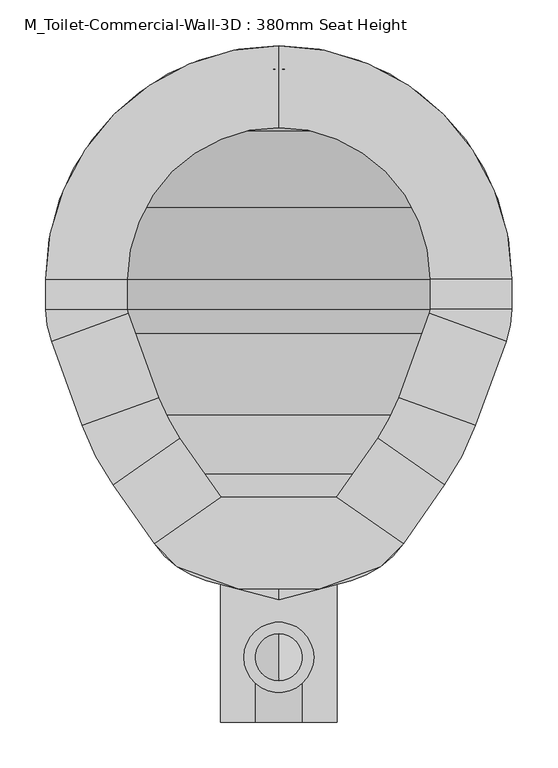
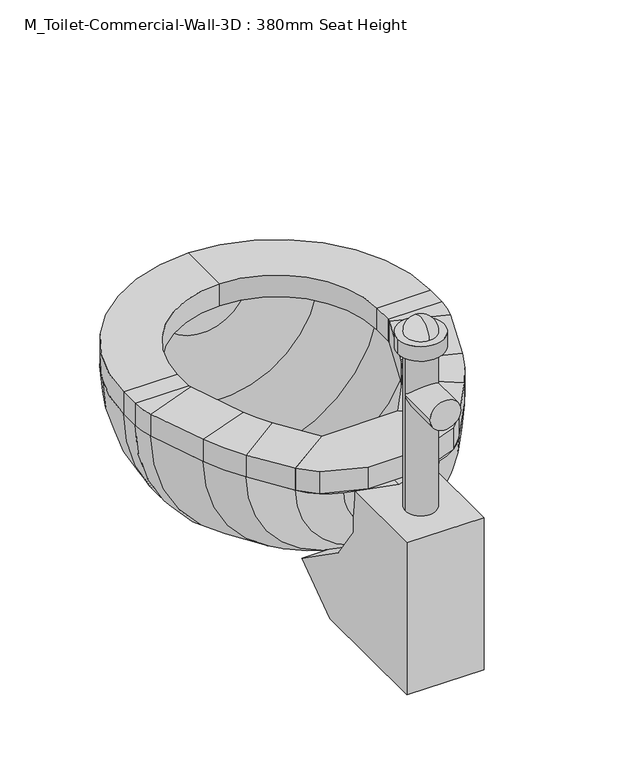
"""IFC4 building model written with IfcOpenShell, lengths in millimetres: flow terminal geometry, M_Toilet-Commercial-Wall-3D : 380mm Seat Height."""

import ifcopenshell
import ifcopenshell.guid

model = None  # the IFC model being written
_history = None  # IfcOwnerHistory: only IFC2X3 demands one
_inside = {}  # id of a spatial element -> (the spatial element, [elements in it])
_under = {}  # id of a project, library or spatial element -> (it, [spatial elements below it])
_declared = {}  # id of a project -> (the project, [libraries it declares])
_typed = {}  # id of a type object -> (the type object, [elements of that type])
_made_of = {}  # id of a material, layer set ... -> (it, [elements and type objects made of it])


def new_model(schema):
    """Start an empty IFC model of exactly this schema.

    Asked for "IFC4X3", IfcOpenShell would pick the latest addendum, in which some entities
    have other attributes; the version numbers below select the first issue.
    IFC2X3 requires an IfcOwnerHistory on every rooted entity: one is made here for all.
    """
    global model, _history
    if schema == "IFC4X3":
        model = ifcopenshell.file(schema_version=(4, 3, 0, 0))
    else:
        model = ifcopenshell.file(schema=schema)
    _inside.clear()
    _under.clear()
    _declared.clear()
    _typed.clear()
    _made_of.clear()
    _history = None
    if model.schema == "IFC2X3":
        org = make("IfcOrganization", Name="unknown")
        user = make(
            "IfcPersonAndOrganization",
            ThePerson=make("IfcPerson", FamilyName="unknown"),
            TheOrganization=org,
        )
        app = make(
            "IfcApplication",
            ApplicationDeveloper=org,
            Version="unknown",
            ApplicationFullName="unknown",
            ApplicationIdentifier="unknown",
        )
        _history = make(
            "IfcOwnerHistory",
            OwningUser=user,
            OwningApplication=app,
            ChangeAction="ADDED",
            CreationDate=0,
        )
    return model


def make(cls, **values):
    """One entity of the class cls with the attributes given. An attribute that is None is left unset."""
    return model.create_entity(
        cls, **{name: value for name, value in values.items() if value is not None}
    )


def rooted(cls, **values):
    """An entity with a GlobalId (a new one), such as an element, a storey or a relation."""
    return make(cls, GlobalId=ifcopenshell.guid.new(), OwnerHistory=_history, **values)


def si_unit(unit_type, name, prefix=None):
    """IfcSIUnit, for example si_unit("LENGTHUNIT", "METRE", prefix="MILLI")."""
    return make("IfcSIUnit", UnitType=unit_type, Prefix=prefix, Name=name)


def assignment(units):
    """IfcUnitAssignment: the units of a project."""
    return None if units is None else make("IfcUnitAssignment", Units=units)


def point(xyz):
    """IfcCartesianPoint."""
    return None if xyz is None else make("IfcCartesianPoint", Coordinates=xyz)


def direction(xyz):
    """IfcDirection."""
    return None if xyz is None else make("IfcDirection", DirectionRatios=xyz)


def frame(location, z_axis=None, x_axis=None):
    """IfcAxis2Placement3D, a coordinate frame: its origin and axes. An axis left out is left unset."""
    return make(
        "IfcAxis2Placement3D",
        Location=point(location),
        Axis=direction(z_axis),
        RefDirection=direction(x_axis),
    )


def frame_2d(location, x_axis=None):
    """IfcAxis2Placement2D, a coordinate frame in the plane: its origin and x axis."""
    return make(
        "IfcAxis2Placement2D", Location=point(location), RefDirection=direction(x_axis)
    )


def origin():
    """The frame at (0, 0, 0) with its axes left unset."""
    return frame((0.0, 0.0, 0.0))


def place(relative_to, where):
    """IfcLocalPlacement: puts the frame where relative to a parent placement (None: the world)."""
    return make(
        "IfcLocalPlacement", PlacementRelTo=relative_to, RelativePlacement=where
    )


def context(
    kind, dimensions, precision=None, world=None, true_north=None, identifier=None
):
    """IfcGeometricRepresentationContext, for example the 3D "Model" context."""
    return make(
        "IfcGeometricRepresentationContext",
        ContextIdentifier=identifier,
        ContextType=kind,
        CoordinateSpaceDimension=dimensions,
        Precision=precision,
        WorldCoordinateSystem=world,
        TrueNorth=true_north,
    )


def project(units=None, contexts=None):
    """IfcProject with its units and contexts."""
    return rooted(
        "IfcProject",
        Name="project",
        RepresentationContexts=contexts,
        UnitsInContext=assignment(units),
    )


def spatial(cls, under=None, at=None, **own):
    """A site, building, storey or space (cls), placed at a placement, below another one or the project."""
    s = rooted(cls, ObjectPlacement=at, **own)
    if under is not None:
        _under.setdefault(under.id(), (under, []))[1].append(s)
    return s


def polyline(points):
    """IfcPolyline through the points."""
    return make("IfcPolyline", Points=[point(p) for p in points])


def circle_curve(where, radius):
    """IfcCircle in the frame where."""
    return make("IfcCircle", Position=where, Radius=radius)


def ellipse_curve(where, semi_axis1, semi_axis2):
    """IfcEllipse in the frame where."""
    return make(
        "IfcEllipse", Position=where, SemiAxis1=semi_axis1, SemiAxis2=semi_axis2
    )


def trimmed(basis, trim1, trim2, sense, master):
    """IfcTrimmedCurve: the piece of a basis curve between two trims."""
    return make(
        "IfcTrimmedCurve",
        BasisCurve=basis,
        Trim1=trim1,
        Trim2=trim2,
        SenseAgreement=sense,
        MasterRepresentation=master,
    )


def segment(curve, same_sense, transition):
    """IfcCompositeCurveSegment."""
    return make(
        "IfcCompositeCurveSegment",
        Transition=transition,
        SameSense=same_sense,
        ParentCurve=curve,
    )


def composite_curve(segments, self_intersect=None):
    """IfcCompositeCurve: segments joined end to end."""
    return make("IfcCompositeCurve", Segments=segments, SelfIntersect=self_intersect)


def outline(outer, holes=None, kind="AREA"):
    """IfcArbitraryClosedProfileDef: a profile drawn as a closed curve; with holes, ...WithVoids."""
    if holes is None:
        return make("IfcArbitraryClosedProfileDef", ProfileType=kind, OuterCurve=outer)
    return make(
        "IfcArbitraryProfileDefWithVoids",
        ProfileType=kind,
        OuterCurve=outer,
        InnerCurves=holes,
    )


def extrude(swept, where, along, depth):
    """IfcExtrudedAreaSolid: the profile swept, set in the frame where, extruded along a direction by depth."""
    return make(
        "IfcExtrudedAreaSolid",
        SweptArea=swept,
        Position=where,
        ExtrudedDirection=direction(along),
        Depth=depth,
    )


def shape(context_of_items, identifier, shape_type, items):
    """IfcShapeRepresentation: the items that make up one representation, for example the "Body"."""
    return make(
        "IfcShapeRepresentation",
        ContextOfItems=context_of_items,
        RepresentationIdentifier=identifier,
        RepresentationType=shape_type,
        Items=items,
    )


def source(mapping_origin, context_of_items, identifier, shape_type, items):
    """IfcRepresentationMap: a shape defined once, which mapped items show again and again."""
    return make(
        "IfcRepresentationMap",
        MappingOrigin=mapping_origin,
        MappedRepresentation=shape(context_of_items, identifier, shape_type, items),
    )


def transform(
    local_origin,
    x_axis=None,
    y_axis=None,
    z_axis=None,
    scale=None,
    scale2=None,
    scale3=None,
    uniform=True,
):
    """IfcCartesianTransformationOperator3D, or its non-uniform kind. x_axis, y_axis, z_axis: its Axis1, 2, 3."""
    if uniform:
        return make(
            "IfcCartesianTransformationOperator3D",
            Axis1=direction(x_axis),
            Axis2=direction(y_axis),
            LocalOrigin=point(local_origin),
            Scale=scale,
            Axis3=direction(z_axis),
        )
    return make(
        "IfcCartesianTransformationOperator3DnonUniform",
        Axis1=direction(x_axis),
        Axis2=direction(y_axis),
        LocalOrigin=point(local_origin),
        Scale=scale,
        Axis3=direction(z_axis),
        Scale2=scale2,
        Scale3=scale3,
    )


def mapped(mapping_source, mapping_target):
    """IfcMappedItem: shows the shape of a source again, moved by a transform."""
    return make(
        "IfcMappedItem", MappingSource=mapping_source, MappingTarget=mapping_target
    )


def made_of(thing, what):
    """Note that an element or type object is made of a material, layer set ...; save() writes the relation."""
    if what is not None:
        _made_of.setdefault(what.id(), (what, []))[1].append(thing)
    return thing


def element(
    cls,
    number,
    at=None,
    inside=None,
    cuts=None,
    type_object=None,
    material=None,
    context=None,
    identifier="Body",
    shape_type=None,
    held_by="IfcProductDefinitionShape",
    body=None,
    shapes=None,
    **own,
):
    """One element of the class cls, such as IfcWall. Its Tag is "e" and its number.

    at: its placement. inside: the storey or other place that contains it. cuts: it is an
    opening in that element (IfcRelVoidsElement). A single representation is given by context,
    identifier, shape_type and body (its items); several are given by shapes. held_by: the class
    of the entity that holds the representations. save() writes the other relations.
    """
    e = rooted(cls, Tag="e%d" % number, ObjectPlacement=at, **own)
    if body is not None:
        shapes = [shape(context, identifier, shape_type, body)]
    if shapes is not None:
        e.Representation = make(held_by, Representations=shapes)
    if inside is not None:
        _inside.setdefault(inside.id(), (inside, []))[1].append(e)
    if cuts is not None:
        rooted(
            "IfcRelVoidsElement", RelatingBuildingElement=cuts, RelatedOpeningElement=e
        )
    if type_object is not None:
        _typed.setdefault(type_object.id(), (type_object, []))[1].append(e)
    return made_of(e, material)


def aggregate(whole, parts):
    """IfcRelAggregates: a whole, such as a stair, and the parts it consists of."""
    return rooted("IfcRelAggregates", RelatingObject=whole, RelatedObjects=parts)


def save(model, path):
    """Write the relations noted so far, then the file.

    IfcRelAggregates (storeys below a building ...), IfcRelContainedInSpatialStructure (elements
    in a storey), IfcRelDefinesByType, IfcRelAssociatesMaterial and IfcRelDeclares: one each for
    every whole, place, type object, material and project.
    """
    for whole, parts in _under.values():
        aggregate(whole, parts)
    for where, things in _inside.values():
        rooted(
            "IfcRelContainedInSpatialStructure",
            RelatedElements=things,
            RelatingStructure=where,
        )
    for kind, things in _typed.values():
        rooted("IfcRelDefinesByType", RelatedObjects=things, RelatingType=kind)
    for what, things in _made_of.values():
        rooted("IfcRelAssociatesMaterial", RelatedObjects=things, RelatingMaterial=what)
    for by, libraries in _declared.values():
        rooted("IfcRelDeclares", RelatingContext=by, RelatedDefinitions=libraries)
    model.write(path)


def plane_surface(at):
    """IfcPlane: the flat surface through the origin of the frame at, square to its z axis."""
    return make("IfcPlane", Position=at)


def cylinder_surface(at, radius):
    """IfcCylindricalSurface: all points at the distance radius from the z axis of the frame at."""
    return make("IfcCylindricalSurface", Position=at, Radius=radius)


def revolved_surface(curve, axis_point, axis_direction):
    """IfcSurfaceOfRevolution: the curve turned about the line through axis_point along axis_direction."""
    return make(
        "IfcSurfaceOfRevolution",
        SweptCurve=make("IfcArbitraryOpenProfileDef", ProfileType="CURVE", Curve=curve),
        AxisPosition=make("IfcAxis1Placement", Location=point(axis_point), Axis=direction(axis_direction)),
    )


def advanced_brep(points, edges, surfaces, faces):
    """IfcAdvancedBrep: a solid bounded by faces that lie on surfaces and meet in shared edges.

    An edge is (start, end): straight between two places in points (the first is 0);
    or (start, end, curve); or (start, end, curve, False) where it runs against its curve.
    A face is (place in surfaces, loops), or (place, loops, False) where it looks against
    its surface's normal. A loop lists edges by number (the first is 1), with a minus sign
    where the edge is run from its end to its start. The first loop is the outer one.
    """
    corners = [point(p) for p in points]
    vertices = [make("IfcVertexPoint", VertexGeometry=c) for c in corners]
    made = []
    for start, end, *more in edges:
        made.append(
            make(
                "IfcEdgeCurve",
                EdgeStart=vertices[start],
                EdgeEnd=vertices[end],
                EdgeGeometry=more[0] if more else make("IfcPolyline", Points=[corners[start], corners[end]]),
                SameSense=more[1] if len(more) > 1 else True,
            )
        )
    hull = []
    for where, loops, *sense in faces:
        bounds = []
        for j, loop in enumerate(loops):
            ring = [make("IfcOrientedEdge", EdgeElement=made[abs(k) - 1], Orientation=k > 0) for k in loop]
            bounds.append(
                make(
                    "IfcFaceOuterBound" if j == 0 else "IfcFaceBound",
                    Bound=make("IfcEdgeLoop", EdgeList=ring),
                    Orientation=True,
                )
            )
        hull.append(make("IfcAdvancedFace", Bounds=bounds, FaceSurface=surfaces[where], SameSense=sense[0] if sense else True))
    return make("IfcAdvancedBrep", Outer=make("IfcClosedShell", CfsFaces=hull))


def m_toilet_commercial_wall_3d_380mm_seat_height_4ad1e06c(model_context):
    return source(origin(), model_context, "Body", "SolidModel", [
        extrude(outline(polyline([(467.7541169, 370.0347495), (540.5767337, 319.0438043), (515.6262519, 294.0933226), (449.563909, 270.0485961), (360.2423986, 270.0485961), (294.1800557, 294.0933226), (269.229574, 319.0438043), (342.0521907, 370.0347495), (467.7541169, 370.0347495)])), frame((0.0, 0.0, 341.9), z_axis=(0.0, 0.0, 1.0), x_axis=(1.0, 0.0, 0.0)), (0.0, 0.0, 1.0), 38.1),
        advanced_brep(
        [(467.7541169, 370.0347495, 341.9), (540.5767337, 319.0438043, 341.9), (540.5767337, 319.0438043, 380.0), (467.7541169, 370.0347495, 380.0), (512.8583992, 434.4503403, 341.9), (585.6810159, 383.4593951, 341.9), (585.6810159, 383.4593951, 380.0), (512.8583992, 434.4503403, 380.0), (619.360053, 448.1562234, 341.9), (535.821379, 478.5618141, 341.9), (619.360053, 448.1562234, 380.0), (535.821379, 478.5618141, 380.0), (569.2372501, 570.3711654, 341.9), (652.7759241, 539.9655747, 341.9), (652.7759241, 539.9655747, 380.0), (569.2372501, 570.3711654, 380.0), (658.9031538, 574.7148212, 341.9), (570.0031538, 574.7148212, 341.9), (658.9031538, 574.7148212, 380.0), (570.0031538, 574.7148212, 380.0), (570.0031538, 607.6, 341.9), (658.9031538, 607.6, 341.9), (658.9031538, 607.6, 380.0), (570.0031538, 607.6, 380.0), (404.9031538, 861.6, 341.9), (404.9031538, 772.7, 341.9), (404.9031538, 861.6, 380.0), (404.9031538, 772.7, 380.0), (150.9031538, 607.6, 341.9), (239.8031538, 607.6, 341.9), (150.9031538, 607.6, 380.0), (239.8031538, 607.6, 380.0), (239.8031538, 574.7148212, 341.9), (150.9031538, 574.7148212, 341.9), (150.9031538, 574.7148212, 380.0), (239.8031538, 574.7148212, 380.0), (157.0303835, 539.9655747, 341.9), (240.5690575, 570.3711654, 341.9), (157.0303835, 539.9655747, 380.0), (240.5690575, 570.3711654, 380.0), (273.9849286, 478.5618141, 341.9), (190.4462546, 448.1562234, 341.9), (190.4462546, 448.1562234, 380.0), (273.9849286, 478.5618141, 380.0), (224.1252917, 383.4593951, 341.9), (296.9479084, 434.4503403, 341.9), (224.1252917, 383.4593951, 380.0), (296.9479084, 434.4503403, 380.0), (342.0521907, 370.0347495, 341.9), (342.0521907, 370.0347495, 380.0), (269.229574, 319.0438043, 380.0), (269.229574, 319.0438043, 341.9)],
        [
            (0, 1),
            (1, 2),
            (2, 3),
            (3, 0),
            (0, 4),
            (4, 5),
            (5, 1),
            (5, 6),
            (6, 2),
            (6, 7),
            (7, 3),
            (7, 4),
            (8, 5, circle_curve(frame((356.8099347, 543.7166514, 341.9), z_axis=(0.0, 0.0, -1.0), x_axis=(0.819152044288991, -0.5735764363510472, 0.0)), 279.4)),
            (4, 9, circle_curve(frame((356.8099347, 543.7166514, 341.9), z_axis=(0.0, 0.0, 1.0), x_axis=(0.819152044288991, -0.5735764363510472, 0.0)), 190.5)),
            (9, 8),
            (10, 6, circle_curve(frame((356.8099347, 543.7166514, 380.0), z_axis=(0.0, 0.0, -1.0), x_axis=(0.819152044288991, -0.5735764363510472, 0.0)), 279.4)),
            (8, 10),
            (11, 7, circle_curve(frame((356.8099347, 543.7166514, 380.0), z_axis=(0.0, 0.0, -1.0), x_axis=(0.819152044288991, -0.5735764363510472, 0.0)), 190.5)),
            (10, 11),
            (11, 9),
            (9, 12),
            (12, 13),
            (13, 8),
            (13, 14),
            (14, 10),
            (14, 15),
            (15, 11),
            (15, 12),
            (16, 13, circle_curve(frame((557.3031538, 574.7148212, 341.9), z_axis=(0.0, 0.0, -1.0), x_axis=(0.93969262078591, -0.3420201433256644, 0.0)), 101.6)),
            (12, 17, circle_curve(frame((557.3031538, 574.7148212, 341.9), z_axis=(0.0, 0.0, 1.0), x_axis=(0.93969262078591, -0.3420201433256644, 0.0)), 12.7)),
            (17, 16),
            (18, 14, circle_curve(frame((557.3031538, 574.7148212, 380.0), z_axis=(0.0, 0.0, -1.0), x_axis=(0.93969262078591, -0.3420201433256644, 0.0)), 101.6)),
            (16, 18),
            (19, 15, circle_curve(frame((557.3031538, 574.7148212, 380.0), z_axis=(0.0, 0.0, -1.0), x_axis=(0.93969262078591, -0.3420201433256644, 0.0)), 12.7)),
            (18, 19),
            (19, 17),
            (17, 20),
            (20, 21),
            (21, 16),
            (21, 22),
            (22, 18),
            (22, 23),
            (23, 19),
            (23, 20),
            (24, 21, circle_curve(frame((404.9031538, 607.6, 341.9), z_axis=(0.0, 0.0, -1.0), x_axis=(1.0, 0.0, 0.0)), 254.0)),
            (20, 25, circle_curve(frame((404.9031538, 607.6, 341.9), z_axis=(0.0, 0.0, 1.0), x_axis=(1.0, 0.0, 0.0)), 165.1)),
            (25, 24),
            (26, 22, circle_curve(frame((404.9031538, 607.6, 380.0), z_axis=(0.0, 0.0, -1.0), x_axis=(1.0, 0.0, 0.0)), 254.0)),
            (24, 26),
            (27, 23, circle_curve(frame((404.9031538, 607.6, 380.0), z_axis=(0.0, 0.0, -1.0), x_axis=(1.0, 0.0, 0.0)), 165.1)),
            (26, 27),
            (27, 25),
            (28, 24, circle_curve(frame((404.9031538, 607.6, 341.9), z_axis=(0.0, 0.0, -1.0), x_axis=(0.0, 1.0, 0.0)), 254.0)),
            (25, 29, circle_curve(frame((404.9031538, 607.6, 341.9), z_axis=(0.0, 0.0, 1.0), x_axis=(0.0, 1.0, 0.0)), 165.1)),
            (29, 28),
            (30, 26, circle_curve(frame((404.9031538, 607.6, 380.0), z_axis=(0.0, 0.0, -1.0), x_axis=(0.0, 1.0, 0.0)), 254.0)),
            (28, 30),
            (31, 27, circle_curve(frame((404.9031538, 607.6, 380.0), z_axis=(0.0, 0.0, -1.0), x_axis=(0.0, 1.0, 0.0)), 165.1)),
            (30, 31),
            (31, 29),
            (29, 32),
            (32, 33),
            (33, 28),
            (33, 34),
            (34, 30),
            (34, 35),
            (35, 31),
            (35, 32),
            (36, 33, circle_curve(frame((252.5031538, 574.7148212, 341.9), z_axis=(0.0, 0.0, -1.0), x_axis=(-1.0, 0.0, 0.0)), 101.6)),
            (32, 37, circle_curve(frame((252.5031538, 574.7148212, 341.9), z_axis=(0.0, 0.0, 1.0), x_axis=(-1.0, 0.0, 0.0)), 12.7)),
            (37, 36),
            (38, 34, circle_curve(frame((252.5031538, 574.7148212, 380.0), z_axis=(0.0, 0.0, -1.0), x_axis=(-1.0, 0.0, 0.0)), 101.6)),
            (36, 38),
            (39, 35, circle_curve(frame((252.5031538, 574.7148212, 380.0), z_axis=(0.0, 0.0, -1.0), x_axis=(-1.0, 0.0, 0.0)), 12.7)),
            (38, 39),
            (39, 37),
            (37, 40),
            (40, 41),
            (41, 36),
            (41, 42),
            (42, 38),
            (42, 43),
            (43, 39),
            (43, 40),
            (44, 41, circle_curve(frame((452.9963729, 543.7166514, 341.9), z_axis=(0.0, 0.0, -1.0), x_axis=(-0.9396926207859084, -0.3420201433256685, 0.0)), 279.4)),
            (40, 45, circle_curve(frame((452.9963729, 543.7166514, 341.9), z_axis=(0.0, 0.0, 1.0), x_axis=(-0.9396926207859084, -0.3420201433256685, 0.0)), 190.5)),
            (45, 44),
            (46, 42, circle_curve(frame((452.9963729, 543.7166514, 380.0), z_axis=(0.0, 0.0, -1.0), x_axis=(-0.9396926207859084, -0.3420201433256685, 0.0)), 279.4)),
            (44, 46),
            (47, 43, circle_curve(frame((452.9963729, 543.7166514, 380.0), z_axis=(0.0, 0.0, -1.0), x_axis=(-0.9396926207859084, -0.3420201433256685, 0.0)), 190.5)),
            (46, 47),
            (47, 45),
            (48, 49),
            (49, 50),
            (50, 51),
            (51, 48),
            (45, 48),
            (51, 44),
            (50, 46),
            (49, 47),
        ],
        [
            plane_surface(frame((540.5767337, 319.0438043, 438.6203184), z_axis=(-0.5735764363510417, -0.8191520442889948, 0.0), x_axis=(0.8191520442889948, -0.5735764363510417, 0.0))),
            plane_surface(frame((467.7541169, 370.0347495, 341.9), z_axis=(0.0, 0.0, -1.0), x_axis=(0.5735764363510415, 0.819152044288995, 0.0))),
            plane_surface(frame((540.5767337, 319.0438043, 341.9), z_axis=(0.8191520442889947, -0.5735764363510422, 0.0), x_axis=(0.5735764363510422, 0.8191520442889947, 0.0))),
            plane_surface(frame((540.5767337, 319.0438043, 380.0), z_axis=(0.0, 0.0, 1.0), x_axis=(0.5735764363510415, 0.819152044288995, 0.0))),
            plane_surface(frame((467.7541169, 370.0347495, 380.0), z_axis=(-0.8191520442889947, 0.5735764363510422, 0.0), x_axis=(0.5735764363510422, 0.8191520442889947, 0.0))),
            plane_surface(frame((356.8099347, 543.7166514, 341.9), z_axis=(0.0, 0.0, -1.0), x_axis=(0.819152044288991, -0.5735764363510472, 0.0))),
            cylinder_surface(frame((356.8099347, 543.7166514, 341.9), z_axis=(0.0, 0.0, 1.0), x_axis=(0.819152044288991, -0.5735764363510472, 0.0)), 279.4),
            plane_surface(frame((356.8099347, 543.7166514, 380.0), z_axis=(0.0, 0.0, 1.0), x_axis=(0.819152044288991, -0.5735764363510472, 0.0))),
            revolved_surface(polyline([(512.8583991370527, 434.45034027512554, 380.0), (512.8583991370527, 434.45034027512554, 341.9)]), (356.8099347, 543.7166514, 341.9), (0.0, 0.0, 1.0)),
            plane_surface(frame((535.821379, 478.5618141, 341.9), z_axis=(0.0, 0.0, -1.0000000000000002), x_axis=(0.34202014332563596, 0.9396926207859204, 0.0))),
            plane_surface(frame((619.360053, 448.1562234, 341.9), z_axis=(0.9396926207859202, -0.3420201433256365, 0.0), x_axis=(0.3420201433256365, 0.9396926207859202, 0.0))),
            plane_surface(frame((619.360053, 448.1562234, 380.0), z_axis=(0.0, 0.0, 1.0), x_axis=(0.34202014332563624, 0.9396926207859202, 0.0))),
            plane_surface(frame((535.821379, 478.5618141, 380.0), z_axis=(-0.9396926207859202, 0.34202014332563657, 0.0), x_axis=(0.34202014332563657, 0.9396926207859202, 0.0))),
            plane_surface(frame((557.3031538, 574.7148212, 341.9), z_axis=(0.0, 0.0, -1.0), x_axis=(0.93969262078591, -0.3420201433256644, 0.0))),
            cylinder_surface(frame((557.3031538, 574.7148212, 341.9), z_axis=(0.0, 0.0, 1.0), x_axis=(0.93969262078591, -0.3420201433256644, 0.0)), 101.6),
            plane_surface(frame((557.3031538, 574.7148212, 380.0), z_axis=(0.0, 0.0, 1.0), x_axis=(0.93969262078591, -0.3420201433256644, 0.0))),
            revolved_surface(polyline([(569.237250083981, 570.3711653797641, 380.0), (569.237250083981, 570.3711653797641, 341.9)]), (557.3031538, 574.7148212, 341.9), (0.0, 0.0, 1.0)),
            plane_surface(frame((570.0031538, 574.7148212, 341.9), z_axis=(0.0, 0.0, -1.0), x_axis=(0.0, 1.0, 0.0))),
            plane_surface(frame((658.9031538, 574.7148212, 341.9), z_axis=(1.0, 0.0, 0.0), x_axis=(0.0, 1.0, 0.0))),
            plane_surface(frame((658.9031538, 574.7148212, 380.0), z_axis=(0.0, 0.0, 1.0), x_axis=(0.0, 1.0, 0.0))),
            plane_surface(frame((570.0031538, 574.7148212, 380.0), z_axis=(-1.0, 0.0, 0.0), x_axis=(0.0, 1.0, 0.0))),
            plane_surface(frame((404.9031538, 607.6, 341.9), z_axis=(0.0, 0.0, -1.0), x_axis=(1.0, 0.0, 0.0))),
            cylinder_surface(frame((404.9031538, 607.6, 341.9), z_axis=(0.0, 0.0, 1.0), x_axis=(1.0, 0.0, 0.0)), 254.0),
            plane_surface(frame((404.9031538, 607.6, 380.0), z_axis=(0.0, 0.0, 1.0), x_axis=(1.0, 0.0, 0.0))),
            revolved_surface(polyline([(570.0031538, 607.6, 380.0), (570.0031538, 607.6, 341.9)]), (404.9031538, 607.6, 341.9), (0.0, 0.0, 1.0)),
            plane_surface(frame((404.9031538, 607.6, 341.9), z_axis=(0.0, 0.0, -1.0), x_axis=(0.0, 1.0, 0.0))),
            cylinder_surface(frame((404.9031538, 607.6, 341.9), z_axis=(0.0, 0.0, 1.0), x_axis=(0.0, 1.0, 0.0)), 254.0),
            plane_surface(frame((404.9031538, 607.6, 380.0), z_axis=(0.0, 0.0, 1.0), x_axis=(0.0, 1.0, 0.0))),
            revolved_surface(polyline([(404.9031538, 772.7, 380.0), (404.9031538, 772.7, 341.9)]), (404.9031538, 607.6, 341.9), (0.0, 0.0, 1.0)),
            plane_surface(frame((239.8031538, 607.6, 341.9), z_axis=(0.0, 0.0, -1.0), x_axis=(0.0, -1.0, 0.0))),
            plane_surface(frame((150.9031538, 607.6, 341.9), z_axis=(-1.0, 0.0, 0.0), x_axis=(0.0, -1.0, 0.0))),
            plane_surface(frame((150.9031538, 607.6, 380.0), z_axis=(0.0, 0.0, 1.0), x_axis=(0.0, -1.0, 0.0))),
            plane_surface(frame((239.8031538, 607.6, 380.0), z_axis=(1.0, 0.0, 0.0), x_axis=(0.0, -1.0, 0.0))),
            plane_surface(frame((252.5031538, 574.7148212, 341.9), z_axis=(0.0, 0.0, -1.0), x_axis=(-1.0, 0.0, 0.0))),
            cylinder_surface(frame((252.5031538, 574.7148212, 341.9), z_axis=(0.0, 0.0, 1.0), x_axis=(-1.0, 0.0, 0.0)), 101.6),
            plane_surface(frame((252.5031538, 574.7148212, 380.0), z_axis=(0.0, 0.0, 1.0), x_axis=(-1.0, 0.0, 0.0))),
            revolved_surface(polyline([(239.80315380000002, 574.7148212, 380.0), (239.80315380000002, 574.7148212, 341.9)]), (252.5031538, 574.7148212, 341.9), (0.0, 0.0, 1.0)),
            plane_surface(frame((240.5690575, 570.3711654, 341.9), z_axis=(0.0, 0.0, -1.0), x_axis=(0.34202014332566116, -0.9396926207859112, 0.0))),
            plane_surface(frame((157.0303835, 539.9655747, 341.9), z_axis=(-0.9396926207859109, -0.3420201433256618, 0.0), x_axis=(0.3420201433256618, -0.9396926207859109, 0.0))),
            plane_surface(frame((157.0303835, 539.9655747, 380.0), z_axis=(0.0, 0.0, 1.0), x_axis=(0.3420201433256618, -0.9396926207859109, 0.0))),
            plane_surface(frame((240.5690575, 570.3711654, 380.0), z_axis=(0.9396926207859111, 0.3420201433256614, 0.0), x_axis=(0.3420201433256614, -0.9396926207859111, 0.0))),
            plane_surface(frame((452.9963729, 543.7166514, 341.9), z_axis=(0.0, 0.0, -1.0000000000000002), x_axis=(-0.9396926207859085, -0.34202014332566855, 0.0))),
            cylinder_surface(frame((452.9963729, 543.7166514, 341.9), z_axis=(0.0, 0.0, 1.0), x_axis=(-0.9396926207859084, -0.3420201433256685, 0.0)), 279.4),
            plane_surface(frame((452.9963729, 543.7166514, 380.0), z_axis=(0.0, 0.0, 1.0000000000000002), x_axis=(-0.9396926207859085, -0.34202014332566855, 0.0))),
            revolved_surface(polyline([(273.98492864028447, 478.5618140964602, 380.0), (273.98492864028447, 478.5618140964602, 341.9)]), (452.9963729, 543.7166514, 341.9), (0.0, 0.0, 1.0)),
            plane_surface(frame((269.229574, 319.0438043, 245.1796816), z_axis=(0.5735764363510485, -0.8191520442889902, 0.0), x_axis=(0.8191520442889902, 0.5735764363510485, 0.0))),
            plane_surface(frame((296.9479084, 434.4503403, 341.9), z_axis=(0.0, 0.0, -1.0), x_axis=(0.573576436351049, -0.8191520442889898, 0.0))),
            plane_surface(frame((224.1252917, 383.4593951, 341.9), z_axis=(-0.8191520442889901, -0.5735764363510485, 0.0), x_axis=(0.5735764363510485, -0.8191520442889901, 0.0))),
            plane_surface(frame((224.1252917, 383.4593951, 380.0), z_axis=(0.0, 0.0, 1.0), x_axis=(0.5735764363510485, -0.8191520442889901, 0.0))),
            plane_surface(frame((296.9479084, 434.4503403, 380.0), z_axis=(0.8191520442889898, 0.5735764363510489, 0.0), x_axis=(0.5735764363510489, -0.8191520442889898, 0.0))),
        ],
        [
            (0, [[1, 2, 3, 4]]),
            (1, [[-1, 5, 6, 7]]),
            (2, [[-2, -7, 8, 9]]),
            (3, [[-3, -9, 10, 11]]),
            (4, [[-4, -11, 12, -5]]),
            (5, [[13, -6, 14, 15]]),
            (6, [[16, -8, -13, 17]]),
            (7, [[18, -10, -16, 19]]),
            (8, [[-14, -12, -18, 20]]),
            (9, [[-15, 21, 22, 23]]),
            (10, [[-17, -23, 24, 25]]),
            (11, [[-19, -25, 26, 27]]),
            (12, [[-20, -27, 28, -21]]),
            (13, [[29, -22, 30, 31]]),
            (14, [[32, -24, -29, 33]]),
            (15, [[34, -26, -32, 35]]),
            (16, [[-30, -28, -34, 36]]),
            (17, [[-31, 37, 38, 39]]),
            (18, [[-33, -39, 40, 41]]),
            (19, [[-35, -41, 42, 43]]),
            (20, [[-36, -43, 44, -37]]),
            (21, [[45, -38, 46, 47]]),
            (22, [[48, -40, -45, 49]]),
            (23, [[50, -42, -48, 51]]),
            (24, [[-46, -44, -50, 52]]),
            (25, [[53, -47, 54, 55]]),
            (26, [[56, -49, -53, 57]]),
            (27, [[58, -51, -56, 59]]),
            (28, [[-54, -52, -58, 60]]),
            (29, [[-55, 61, 62, 63]]),
            (30, [[-57, -63, 64, 65]]),
            (31, [[-59, -65, 66, 67]]),
            (32, [[-60, -67, 68, -61]]),
            (33, [[69, -62, 70, 71]]),
            (34, [[72, -64, -69, 73]]),
            (35, [[74, -66, -72, 75]]),
            (36, [[-70, -68, -74, 76]]),
            (37, [[-71, 77, 78, 79]]),
            (38, [[-73, -79, 80, 81]]),
            (39, [[-75, -81, 82, 83]]),
            (40, [[-76, -83, 84, -77]]),
            (41, [[85, -78, 86, 87]]),
            (42, [[88, -80, -85, 89]]),
            (43, [[90, -82, -88, 91]]),
            (44, [[-86, -84, -90, 92]]),
            (45, [[93, 94, 95, 96]]),
            (46, [[-87, 97, -96, 98]]),
            (47, [[-89, -98, -95, 99]]),
            (48, [[-91, -99, -94, 100]]),
            (49, [[-92, -100, -93, -97]]),
        ],
    ),
        advanced_brep(
        [(491.7762702, 846.2819257, 341.9), (404.9031538, 861.6, 341.9), (404.9031538, 836.2, 341.9), (483.0889586, 822.4137331, 341.9), (566.547764, 769.2446102, 341.9), (619.7168869, 685.7858048, 341.9), (633.5031538, 607.6, 341.9), (633.5031538, 574.7148212, 341.9), (628.9077315, 548.6528863, 341.9), (596.6355667, 459.9858422, 341.9), (562.9565296, 395.2890139, 341.9), (525.0728964, 341.1855786, 341.9), (468.1430637, 301.3228806, 341.9), (404.9031538, 284.3777978, 341.9), (404.9031538, 258.0817829, 341.9), (483.6469009, 279.1811063, 341.9), (540.5767337, 319.0438043, 341.9), (585.6810159, 383.4593951, 341.9), (619.360053, 448.1562234, 341.9), (652.7759241, 539.9655747, 341.9), (658.9031538, 574.7148212, 341.9), (658.9031538, 607.6, 341.9), (643.5850795, 694.4731164, 341.9), (584.5082762, 787.2051224, 341.9), (318.0300374, 846.2819257, 341.9), (225.2980314, 787.2051224, 341.9), (166.2212281, 694.4731164, 341.9), (150.9031538, 607.6, 341.9), (150.9031538, 574.7148212, 341.9), (157.0303835, 539.9655747, 341.9), (190.4462546, 448.1562234, 341.9), (224.1252917, 383.4593951, 341.9), (269.229574, 319.0438043, 341.9), (326.1594067, 279.1811063, 341.9), (341.663244, 301.3228806, 341.9), (284.7334112, 341.1855786, 341.9), (246.849778, 395.2890139, 341.9), (213.1707409, 459.9858422, 341.9), (180.8985761, 548.6528863, 341.9), (176.3031538, 574.7148212, 341.9), (176.3031538, 607.6, 341.9), (190.0894207, 685.7858048, 341.9), (243.2585436, 769.2446102, 341.9), (326.7173491, 822.4137331, 341.9)],
        [
            (0, 1, circle_curve(frame((404.9031538, 607.6, 341.9), z_axis=(0.0, 0.0, 1.0), x_axis=(1.0, 0.0, 0.0)), 254.0)),
            (1, 2),
            (2, 3, circle_curve(frame((404.9031538, 607.6, 341.9), z_axis=(0.0, 0.0, -1.0), x_axis=(1.0, 0.0, 0.0)), 228.6)),
            (3, 4, circle_curve(frame((404.9031538, 607.6, 341.9), z_axis=(0.0, 0.0, -1.0), x_axis=(1.0, 0.0, 0.0)), 228.6)),
            (4, 5, circle_curve(frame((404.9031538, 607.6, 341.9), z_axis=(0.0, 0.0, -1.0), x_axis=(1.0, 0.0, 0.0)), 228.6)),
            (5, 6, circle_curve(frame((404.9031538, 607.6, 341.9), z_axis=(0.0, 0.0, -1.0), x_axis=(1.0, 0.0, 0.0)), 228.6)),
            (6, 7),
            (7, 8, circle_curve(frame((557.3031538, 574.7148212, 341.9), z_axis=(0.0, 0.0, -1.0), x_axis=(1.0, 0.0, 0.0)), 76.2)),
            (8, 9),
            (9, 10, circle_curve(frame((334.0854485, 555.5462703, 341.9), z_axis=(0.0, 0.0, -1.0), x_axis=(1.0, 0.0, 0.0)), 279.4)),
            (10, 11),
            (11, 12, circle_curve(frame((441.8470487, 399.4609446, 341.9), z_axis=(0.0, 0.0, -1.0), x_axis=(1.0, 0.0, 0.0)), 101.6)),
            (12, 13),
            (13, 14),
            (14, 15),
            (15, 16, circle_curve(frame((457.350886, 377.3191703, 341.9), z_axis=(0.0, 0.0, 1.0), x_axis=(1.0, 0.0, 0.0)), 101.6)),
            (16, 17),
            (17, 18, circle_curve(frame((356.8099347, 543.7166514, 341.9), z_axis=(0.0, 0.0, 1.0), x_axis=(1.0, 0.0, 0.0)), 279.4)),
            (18, 19),
            (19, 20, circle_curve(frame((557.3031538, 574.7148212, 341.9), z_axis=(0.0, 0.0, 1.0), x_axis=(1.0, 0.0, 0.0)), 101.6)),
            (20, 21),
            (21, 22, circle_curve(frame((404.9031538, 607.6, 341.9), z_axis=(0.0, 0.0, 1.0), x_axis=(1.0, 0.0, 0.0)), 254.0)),
            (22, 23, circle_curve(frame((404.9031538, 607.6, 341.9), z_axis=(0.0, 0.0, 1.0), x_axis=(1.0, 0.0, 0.0)), 254.0)),
            (23, 0, circle_curve(frame((404.9031538, 607.6, 341.9), z_axis=(0.0, 0.0, 1.0), x_axis=(1.0, 0.0, 0.0)), 254.0)),
            (24, 25, circle_curve(frame((404.9031538, 607.6, 341.9), z_axis=(0.0, 0.0, 1.0), x_axis=(-1.0, 0.0, 0.0)), 254.0)),
            (25, 26, circle_curve(frame((404.9031538, 607.6, 341.9), z_axis=(0.0, 0.0, 1.0), x_axis=(-1.0, 0.0, 0.0)), 254.0)),
            (26, 27, circle_curve(frame((404.9031538, 607.6, 341.9), z_axis=(0.0, 0.0, 1.0), x_axis=(-1.0, 0.0, 0.0)), 254.0)),
            (27, 28),
            (28, 29, circle_curve(frame((252.5031538, 574.7148212, 341.9), z_axis=(0.0, 0.0, 1.0), x_axis=(-1.0, 0.0, 0.0)), 101.6)),
            (29, 30),
            (30, 31, circle_curve(frame((452.9963729, 543.7166514, 341.9), z_axis=(0.0, 0.0, 1.0), x_axis=(-1.0, 0.0, 0.0)), 279.4)),
            (31, 32),
            (32, 33, circle_curve(frame((352.4554217, 377.3191703, 341.9), z_axis=(0.0, 0.0, 1.0), x_axis=(-1.0, 0.0, 0.0)), 101.6)),
            (33, 14),
            (13, 34),
            (34, 35, circle_curve(frame((367.9592589, 399.4609446, 341.9), z_axis=(0.0, 0.0, -1.0), x_axis=(-1.0, 0.0, 0.0)), 101.6)),
            (35, 36),
            (36, 37, circle_curve(frame((475.7208592, 555.5462703, 341.9), z_axis=(0.0, 0.0, -1.0), x_axis=(-1.0, 0.0, 0.0)), 279.4)),
            (37, 38),
            (38, 39, circle_curve(frame((252.5031538, 574.7148212, 341.9), z_axis=(0.0, 0.0, -1.0), x_axis=(-1.0, 0.0, 0.0)), 76.2)),
            (39, 40),
            (40, 41, circle_curve(frame((404.9031538, 607.6, 341.9), z_axis=(0.0, 0.0, -1.0), x_axis=(-1.0, 0.0, 0.0)), 228.6)),
            (41, 42, circle_curve(frame((404.9031538, 607.6, 341.9), z_axis=(0.0, 0.0, -1.0), x_axis=(-1.0, 0.0, 0.0)), 228.6)),
            (42, 43, circle_curve(frame((404.9031538, 607.6, 341.9), z_axis=(0.0, 0.0, -1.0), x_axis=(-1.0, 0.0, 0.0)), 228.6)),
            (43, 2, circle_curve(frame((404.9031538, 607.6, 341.9), z_axis=(0.0, 0.0, -1.0), x_axis=(-1.0, 0.0, 0.0)), 228.6)),
            (1, 24, circle_curve(frame((404.9031538, 607.6, 341.9), z_axis=(0.0, 0.0, 1.0), x_axis=(-1.0, 0.0, 0.0)), 254.0)),
            (0, 24, circle_curve(frame((404.9031538, 846.2819257, 341.9), z_axis=(0.0, 1.0, 0.0), x_axis=(1.0, 0.0, 0.0)), 86.8731164)),
            (43, 3, circle_curve(frame((404.9031538, 822.4137331, 341.9), z_axis=(0.0, -1.0, 0.0), x_axis=(1.0, 0.0, 0.0)), 78.1858048)),
            (42, 4, circle_curve(frame((404.9031538, 769.2446102, 341.9), z_axis=(0.0, -1.0, 0.0), x_axis=(1.0, 0.0, 0.0)), 161.6446102)),
            (41, 5, circle_curve(frame((404.9031538, 685.7858048, 341.9), z_axis=(0.0, -1.0, 0.0), x_axis=(1.0, 0.0, 0.0)), 214.8137331)),
            (40, 6, circle_curve(frame((404.9031538, 607.6, 341.9), z_axis=(0.0, -1.0, 0.0), x_axis=(1.0, 0.0, 0.0)), 228.6)),
            (39, 7, circle_curve(frame((404.9031538, 574.7148212, 341.9), z_axis=(0.0, -1.0, 0.0), x_axis=(1.0, 0.0, 0.0)), 228.6)),
            (38, 8, circle_curve(frame((404.9031538, 548.6528863, 341.9), z_axis=(0.0, -1.0, 0.0), x_axis=(1.0, 0.0, 0.0)), 224.0045777)),
            (37, 9, circle_curve(frame((404.9031538, 459.9858422, 341.9), z_axis=(0.0, -1.0, 0.0), x_axis=(1.0, 0.0, 0.0)), 191.7324129)),
            (36, 10, circle_curve(frame((404.9031538, 395.2890139, 341.9), z_axis=(0.0, -1.0, 0.0), x_axis=(1.0, 0.0, 0.0)), 158.0533758)),
            (35, 11, circle_curve(frame((404.9031538, 341.1855786, 341.9), z_axis=(0.0, -1.0, 0.0), x_axis=(1.0, 0.0, 0.0)), 120.1697426)),
            (34, 12, circle_curve(frame((404.9031538, 301.3228806, 341.9), z_axis=(0.0, -1.0, 0.0), x_axis=(1.0, 0.0, 0.0)), 63.2399099)),
            (33, 15, circle_curve(frame((404.9031538, 279.1811063, 341.9), z_axis=(0.0, -1.0, 0.0), x_axis=(1.0, 0.0, 0.0)), 78.7437471)),
            (32, 16, circle_curve(frame((404.9031538, 319.0438043, 341.9), z_axis=(0.0, -1.0, 0.0), x_axis=(1.0, 0.0, 0.0)), 135.6735798)),
            (31, 17, circle_curve(frame((404.9031538, 383.4593951, 341.9), z_axis=(0.0, -1.0, 0.0), x_axis=(1.0, 0.0, 0.0)), 180.7778621)),
            (30, 18, circle_curve(frame((404.9031538, 448.1562234, 341.9), z_axis=(0.0, -1.0, 0.0), x_axis=(1.0, 0.0, 0.0)), 214.4568992)),
            (29, 19, circle_curve(frame((404.9031538, 539.9655747, 341.9), z_axis=(0.0, -1.0, 0.0), x_axis=(1.0, 0.0, 0.0)), 247.8727703)),
            (28, 20, circle_curve(frame((404.9031538, 574.7148212, 341.9), z_axis=(0.0, -1.0, 0.0), x_axis=(1.0, 0.0, 0.0)), 254.0)),
            (27, 21, circle_curve(frame((404.9031538, 607.6, 341.9), z_axis=(0.0, -1.0, 0.0), x_axis=(1.0, 0.0, 0.0)), 254.0)),
            (26, 22, circle_curve(frame((404.9031538, 694.4731164, 341.9), z_axis=(0.0, -1.0, 0.0), x_axis=(1.0, 0.0, 0.0)), 238.6819257)),
            (25, 23, circle_curve(frame((404.9031538, 787.2051224, 341.9), z_axis=(0.0, -1.0, 0.0), x_axis=(1.0, 0.0, 0.0)), 179.6051224)),
        ],
        [
            plane_surface(frame((404.9031538, 966.8102448, 341.9), z_axis=(0.0, 0.0, 1.0), x_axis=(1.0, 0.0, 0.0))),
            plane_surface(frame((404.9031538, 966.8102448, 341.9), z_axis=(0.0, 0.0, 1.0), x_axis=(-1.0, 0.0, 0.0))),
            revolved_surface(trimmed(ellipse_curve(frame((404.9031538, 607.6, 341.9), z_axis=(0.0, 0.0, 1.0), x_axis=(1.0, 0.0, 0.0)), 254.0, 254.0), [point((491.7762702, 846.2819257, 341.9))], [point((404.9031538, 861.6, 341.9))], True, "CARTESIAN"), (404.9031538, 966.8102448, 341.9), (0.0, 1.0, 0.0)),
            revolved_surface(trimmed(ellipse_curve(frame((404.9031538, 607.6, 341.9), z_axis=(0.0, 0.0, -1.0), x_axis=(1.0, 0.0, 0.0)), 228.6, 228.6), [point((404.9031538, 836.2, 341.9))], [point((483.0889586, 822.4137331, 341.9))], True, "CARTESIAN"), (404.9031538, 966.8102448, 341.9), (0.0, 1.0, 0.0)),
            revolved_surface(trimmed(ellipse_curve(frame((404.9031538, 607.6, 341.9), z_axis=(0.0, 0.0, -1.0), x_axis=(1.0, 0.0, 0.0)), 228.6, 228.6), [point((483.0889586, 822.4137331, 341.9))], [point((566.547764, 769.2446102, 341.9))], True, "CARTESIAN"), (404.9031538, 966.8102448, 341.9), (0.0, 1.0, 0.0)),
            revolved_surface(trimmed(ellipse_curve(frame((404.9031538, 607.6, 341.9), z_axis=(0.0, 0.0, -1.0), x_axis=(1.0, 0.0, 0.0)), 228.6, 228.6), [point((566.547764, 769.2446102, 341.9))], [point((619.7168869, 685.7858048, 341.9))], True, "CARTESIAN"), (404.9031538, 966.8102448, 341.9), (0.0, 1.0, 0.0)),
            revolved_surface(trimmed(ellipse_curve(frame((404.9031538, 607.6, 341.9), z_axis=(0.0, 0.0, -1.0), x_axis=(1.0, 0.0, 0.0)), 228.6, 228.6), [point((619.7168869, 685.7858048, 341.9))], [point((633.5031538, 607.6, 341.9))], True, "CARTESIAN"), (404.9031538, 966.8102448, 341.9), (0.0, 1.0, 0.0)),
            revolved_surface(polyline([(633.5031538, 607.6, 341.9), (633.5031538, 574.7148212, 341.9)]), (404.9031538, 966.8102448, 341.9), (0.0, 1.0, 0.0)),
            revolved_surface(trimmed(ellipse_curve(frame((557.3031538, 574.7148212, 341.9), z_axis=(0.0, 0.0, -1.0), x_axis=(1.0, 0.0, 0.0)), 76.2, 76.2), [point((633.5031538, 574.7148212, 341.9))], [point((628.9077315, 548.6528863, 341.9))], True, "CARTESIAN"), (404.9031538, 966.8102448, 341.9), (0.0, 1.0, 0.0)),
            revolved_surface(polyline([(628.9077315, 548.6528863, 341.9), (596.6355667, 459.9858422, 341.9)]), (404.9031538, 966.8102448, 341.9), (0.0, 1.0, 0.0)),
            revolved_surface(trimmed(ellipse_curve(frame((334.0854485, 555.5462703, 341.9), z_axis=(0.0, 0.0, -1.0), x_axis=(1.0, 0.0, 0.0)), 279.4, 279.4), [point((596.6355667, 459.9858422, 341.9))], [point((562.9565296, 395.2890139, 341.9))], True, "CARTESIAN"), (404.9031538, 966.8102448, 341.9), (0.0, 1.0, 0.0)),
            revolved_surface(polyline([(562.9565296, 395.2890139, 341.9), (525.0728964, 341.1855786, 341.9)]), (404.9031538, 966.8102448, 341.9), (0.0, 1.0, 0.0)),
            revolved_surface(trimmed(ellipse_curve(frame((441.8470487, 399.4609446, 341.9), z_axis=(0.0, 0.0, -1.0), x_axis=(1.0, 0.0, 0.0)), 101.6, 101.6), [point((525.0728964, 341.1855786, 341.9))], [point((468.1430637, 301.3228806, 341.9))], True, "CARTESIAN"), (404.9031538, 966.8102448, 341.9), (0.0, 1.0, 0.0)),
            revolved_surface(polyline([(468.1430637, 301.3228806, 341.9), (404.9031538, 284.3777978, 341.9)]), (404.9031538, 966.8102448, 341.9), (0.0, 1.0, 0.0)),
            revolved_surface(polyline([(404.9031538, 258.0817829, 341.9), (483.6469009, 279.1811063, 341.9)]), (404.9031538, 966.8102448, 341.9), (0.0, 1.0, 0.0)),
            revolved_surface(trimmed(ellipse_curve(frame((457.350886, 377.3191703, 341.9), z_axis=(0.0, 0.0, 1.0), x_axis=(1.0, 0.0, 0.0)), 101.6, 101.6), [point((483.6469009, 279.1811063, 341.9))], [point((540.5767337, 319.0438043, 341.9))], True, "CARTESIAN"), (404.9031538, 966.8102448, 341.9), (0.0, 1.0, 0.0)),
            revolved_surface(polyline([(540.5767337, 319.0438043, 341.9), (585.6810159, 383.4593951, 341.9)]), (404.9031538, 966.8102448, 341.9), (0.0, 1.0, 0.0)),
            revolved_surface(trimmed(ellipse_curve(frame((356.8099347, 543.7166514, 341.9), z_axis=(0.0, 0.0, 1.0), x_axis=(1.0, 0.0, 0.0)), 279.4, 279.4), [point((585.6810159, 383.4593951, 341.9))], [point((619.360053, 448.1562234, 341.9))], True, "CARTESIAN"), (404.9031538, 966.8102448, 341.9), (0.0, 1.0, 0.0)),
            revolved_surface(polyline([(619.360053, 448.1562234, 341.9), (652.7759241, 539.9655747, 341.9)]), (404.9031538, 966.8102448, 341.9), (0.0, 1.0, 0.0)),
            revolved_surface(trimmed(ellipse_curve(frame((557.3031538, 574.7148212, 341.9), z_axis=(0.0, 0.0, 1.0), x_axis=(1.0, 0.0, 0.0)), 101.6, 101.6), [point((652.7759241, 539.9655747, 341.9))], [point((658.9031538, 574.7148212, 341.9))], True, "CARTESIAN"), (404.9031538, 966.8102448, 341.9), (0.0, 1.0, 0.0)),
            cylinder_surface(frame((404.9031538, 966.8102448, 341.9), z_axis=(0.0, 1.0, 0.0), x_axis=(1.0, 0.0, 0.0)), 254.0),
            revolved_surface(trimmed(ellipse_curve(frame((404.9031538, 607.6, 341.9), z_axis=(0.0, 0.0, 1.0), x_axis=(1.0, 0.0, 0.0)), 254.0, 254.0), [point((658.9031538, 607.6, 341.9))], [point((643.5850795, 694.4731164, 341.9))], True, "CARTESIAN"), (404.9031538, 966.8102448, 341.9), (0.0, 1.0, 0.0)),
            revolved_surface(trimmed(ellipse_curve(frame((404.9031538, 607.6, 341.9), z_axis=(0.0, 0.0, 1.0), x_axis=(1.0, 0.0, 0.0)), 254.0, 254.0), [point((643.5850795, 694.4731164, 341.9))], [point((584.5082762, 787.2051224, 341.9))], True, "CARTESIAN"), (404.9031538, 966.8102448, 341.9), (0.0, 1.0, 0.0)),
            revolved_surface(trimmed(ellipse_curve(frame((404.9031538, 607.6, 341.9), z_axis=(0.0, 0.0, 1.0), x_axis=(1.0, 0.0, 0.0)), 254.0, 254.0), [point((584.5082762, 787.2051224, 341.9))], [point((491.7762702, 846.2819257, 341.9))], True, "CARTESIAN"), (404.9031538, 966.8102448, 341.9), (0.0, 1.0, 0.0)),
        ],
        [
            (0, [[1, 2, 3, 4, 5, 6, 7, 8, 9, 10, 11, 12, 13, 14, 15, 16, 17, 18, 19, 20, 21, 22, 23, 24]]),
            (1, [[25, 26, 27, 28, 29, 30, 31, 32, 33, 34, -14, 35, 36, 37, 38, 39, 40, 41, 42, 43, 44, 45, -2, 46]]),
            (2, [[-1, 47, -46]]),
            (3, [[48, -3, -45]]),
            (4, [[49, -4, -48, -44]]),
            (5, [[50, -5, -49, -43]]),
            (6, [[51, -6, -50, -42]]),
            (7, [[52, -7, -51, -41]]),
            (8, [[53, -8, -52, -40]]),
            (9, [[54, -9, -53, -39]]),
            (10, [[55, -10, -54, -38]]),
            (11, [[56, -11, -55, -37]]),
            (12, [[57, -12, -56, -36]]),
            (13, [[-13, -57, -35]]),
            (14, [[58, -15, -34]]),
            (15, [[59, -16, -58, -33]]),
            (16, [[60, -17, -59, -32]]),
            (17, [[61, -18, -60, -31]]),
            (18, [[62, -19, -61, -30]]),
            (19, [[63, -20, -62, -29]]),
            (20, [[64, -21, -63, -28]]),
            (21, [[65, -22, -64, -27]]),
            (22, [[66, -23, -65, -26]]),
            (23, [[-47, -24, -66, -25]]),
        ],
    ),
        advanced_brep(
        [(404.9031538, 169.9176912, 646.7), (404.9031538, 221.1528563, 646.7), (404.9031538, 195.5352737, 672.3175826), (404.9031538, 195.5352737, 646.7)],
        [
            (0, 1, circle_curve(frame((404.9031538, 195.5352737, 646.7), z_axis=(0.0, 0.0, 1.0), x_axis=(0.0, 1.0, 0.0)), 25.6175826)),
            (1, 2, circle_curve(frame((404.9031538, 195.5352737, 646.7), z_axis=(1.0, 0.0, 0.0), x_axis=(0.0, -1.0, 0.0)), 25.6175826)),
            (2, 0, circle_curve(frame((404.9031538, 195.5352737, 646.7), z_axis=(1.0, 0.0, 0.0), x_axis=(0.0, 1.0, 0.0)), 25.6175826)),
            (1, 0, circle_curve(frame((404.9031538, 195.5352737, 646.7), z_axis=(0.0, 0.0, 1.0), x_axis=(0.0, 1.0, 0.0)), 25.6175826)),
            (3, 1),
            (0, 3),
        ],
        [
            revolved_surface(trimmed(ellipse_curve(frame((404.9031538, 195.5352737, 646.7), z_axis=(-1.0, 0.0, 0.0), x_axis=(0.0, -1.0, 0.0)), 25.6175826, 25.6175826), [point((404.9031538, 195.5352737, 672.3175826))], [point((404.9031538, 221.1528563, 646.7))], True, "CARTESIAN"), (404.9031538, 195.5352737, 711.3277273), (0.0, 0.0, -1.0)),
            plane_surface(frame((404.9031538, 195.5352737, 646.7), z_axis=(0.0, 0.0, -1.0), x_axis=(0.0, 1.0, 0.0))),
        ],
        [
            (0, [[1, 2, 3]]),
            (0, [[4, -3, -2]]),
            (1, [[5, -1, 6]]),
            (1, [[-6, -4, -5]]),
        ],
    ),
        extrude(outline(composite_curve([segment(trimmed(circle_curve(frame_2d((404.9031538, 195.5352737)), 38.1), [point((366.8031538, 195.5352737))], [point((443.0031538, 195.5352737))], False, "CARTESIAN"), True, "CONTINUOUS"), segment(trimmed(circle_curve(frame_2d((404.9031538, 195.5352737)), 38.1), [point((443.0031538, 195.5352737))], [point((366.8031538, 195.5352737))], False, "CARTESIAN"), True, "CONTINUOUS")], self_intersect=False)), frame((0.0, 0.0, 621.3), z_axis=(0.0, 0.0, 1.0), x_axis=(1.0, 0.0, 0.0)), (0.0, 0.0, 1.0), 25.4),
        extrude(outline(composite_curve([segment(trimmed(circle_curve(frame_2d((543.2113641, 404.9031538)), 25.4), [point((543.2113641, 379.5031538))], [point((543.2113641, 430.3031538))], False, "CARTESIAN"), True, "CONTINUOUS"), segment(trimmed(circle_curve(frame_2d((543.2113641, 404.9031538)), 25.4), [point((543.2113641, 430.3031538))], [point((543.2113641, 379.5031538))], False, "CARTESIAN"), True, "CONTINUOUS")], self_intersect=False)), frame((0.0, 125.0, 0.0), z_axis=(0.0, 1.0, 0.0), x_axis=(0.0, 0.0, 1.0)), (0.0, 0.0, 1.0), 70.64375),
        extrude(outline(composite_curve([segment(trimmed(circle_curve(frame_2d((404.9031538, 195.5352737)), 25.4), [point((379.5031538, 195.5352737))], [point((430.3031538, 195.5352737))], False, "CARTESIAN"), True, "CONTINUOUS"), segment(trimmed(circle_curve(frame_2d((404.9031538, 195.5352737)), 25.4), [point((430.3031538, 195.5352737))], [point((379.5031538, 195.5352737))], False, "CARTESIAN"), True, "CONTINUOUS")], self_intersect=False)), frame((0.0, 0.0, 341.9), z_axis=(0.0, 0.0, 1.0), x_axis=(1.0, 0.0, 0.0)), (0.0, 0.0, 1.0), 279.4),
        extrude(outline(polyline([(277.8037941, 341.9), (277.8037941, 268.296452), (321.5103185, 205.8770663), (425.5426282, 133.0328588), (345.0454017, 76.2), (125.0, 76.2), (125.0, 341.9), (277.8037941, 341.9)])), frame((341.4031538, 0.0, 0.0), z_axis=(1.0, 0.0, 0.0), x_axis=(0.0, 1.0, 0.0)), (0.0, 0.0, 1.0), 127.0),
    ])


if __name__ == "__main__":
    model = new_model("IFC4")
    model_context = context("Model", 3, world=origin())
    ifc_project = project(units=[si_unit("LENGTHUNIT", "METRE", prefix="MILLI")], contexts=[model_context])
    site = spatial("IfcSite", under=ifc_project)
    building = spatial("IfcBuilding", under=site)
    placement = place(None, origin())
    m_toilet_commercial_wall_3d_380mm_seat_height_shape = m_toilet_commercial_wall_3d_380mm_seat_height_4ad1e06c(model_context)
    element("IfcFlowTerminal", 1, ObjectType="M_Toilet-Commercial-Wall-3D : 380mm Seat Height", at=placement, inside=building, context=model_context, shape_type="MappedRepresentation", body=[
        mapped(m_toilet_commercial_wall_3d_380mm_seat_height_shape, transform((0.0, 0.0, 0.0), x_axis=(1.0, 0.0, 0.0), y_axis=(0.0, 1.0, 0.0), z_axis=(0.0, 0.0, 1.0))),
    ])
    save(model, "model.ifc")
